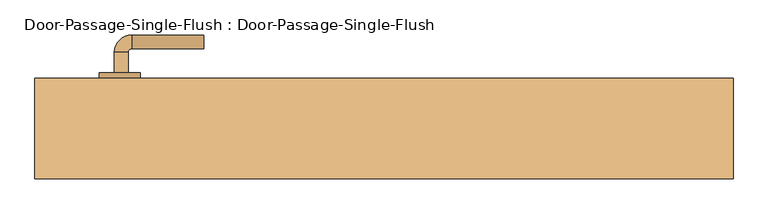
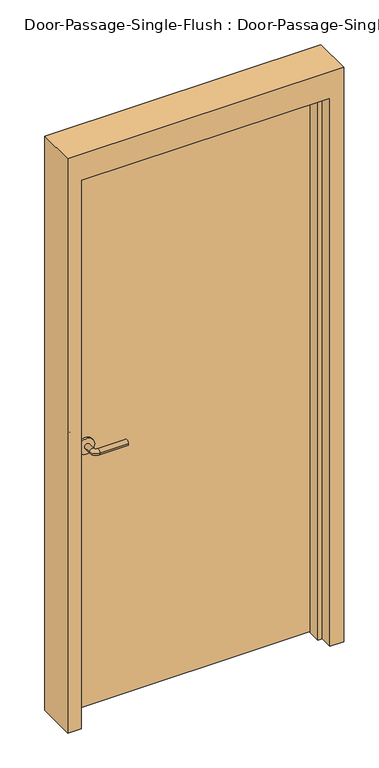
"""IFC4 building model written with IfcOpenShell, lengths in millimetres: door geometry, Door-Passage-Single-Flush : Door-Passage-Single-Flush."""

from ifc_helpers import new_model, si_unit, point, frame, frame_2d, origin, origin_with_axes, place, context, project, spatial, polyline, circle_curve, ellipse_curve, trimmed, segment, composite_curve, outline, extrude, faceted_brep, source, transform, mapped, element, save
from ifc_brep_helpers import plane_surface, cylinder_surface, revolved_surface, advanced_brep


def door_passage_single_flush_door_passage_single_flush_a856c21e(model_context):
    return source(origin(), model_context, "Body", "SolidModel", [
        advanced_brep(
        [(-392.190625, 80.9, 1016.0), (-372.190625, 80.9, 1016.0), (-372.190625, 50.9, 1016.0), (-392.190625, 50.9, 1016.0), (-367.190625, 45.9, 1016.0), (-367.190625, 25.9, 1016.0), (-262.190625, 25.9, 1016.0), (-262.190625, 45.9, 1016.0)],
        [
            (0, 1, circle_curve(frame((-382.190625, 80.9, 1016.0), z_axis=(0.0, 1.0, 0.0), x_axis=(1.0, 0.0, 0.0)), 10.0)),
            (1, 0, circle_curve(frame((-382.190625, 80.9, 1016.0), z_axis=(0.0, 1.0, 0.0), x_axis=(1.0, 0.0, 0.0)), 10.0)),
            (1, 2),
            (2, 3, circle_curve(frame((-382.190625, 50.9, 1016.0), z_axis=(0.0, 1.0, 0.0), x_axis=(1.0, 0.0, 0.0)), 10.0)),
            (3, 0),
            (3, 2, circle_curve(frame((-382.190625, 50.9, 1016.0), z_axis=(0.0, 1.0, 0.0), x_axis=(1.0, 0.0, 0.0)), 10.0)),
            (4, 5, circle_curve(frame((-367.190625, 35.9, 1016.0), z_axis=(-1.0, 0.0, 0.0), x_axis=(0.0, 1.0, 0.0)), 10.0)),
            (5, 3, circle_curve(frame((-367.190625, 50.9, 1016.0), z_axis=(0.0, 0.0, -1.0), x_axis=(-1.0, 0.0, 0.0)), 25.0)),
            (2, 4, circle_curve(frame((-367.190625, 50.9, 1016.0), z_axis=(0.0, 0.0, 1.0), x_axis=(-1.0, 0.0, 0.0)), 5.0)),
            (5, 4, circle_curve(frame((-367.190625, 35.9, 1016.0), z_axis=(-1.0, 0.0, 0.0), x_axis=(0.0, 1.0, 0.0)), 10.0)),
            (6, 7, circle_curve(frame((-262.190625, 35.9, 1016.0), z_axis=(1.0, 0.0, 0.0), x_axis=(0.0, 1.0, 0.0)), 10.0)),
            (7, 6, circle_curve(frame((-262.190625, 35.9, 1016.0), z_axis=(1.0, 0.0, 0.0), x_axis=(0.0, 1.0, 0.0)), 10.0)),
            (4, 7),
            (6, 5),
        ],
        [
            plane_surface(frame((-382.190625, 80.9, 1016.0), z_axis=(0.0, 1.0, 0.0), x_axis=(0.0, 0.0, 1.0))),
            cylinder_surface(frame((-382.190625, 80.9, 1016.0), z_axis=(0.0, 1.0, 0.0), x_axis=(1.0, 0.0, 0.0)), 10.0),
            revolved_surface(trimmed(ellipse_curve(frame((-382.190625, 50.9, 1016.0), z_axis=(0.0, -1.0, 0.0), x_axis=(1.0, 0.0, 0.0)), 10.0, 10.0), [point((-392.190625, 50.9, 1016.0))], [point((-372.190625, 50.9, 1016.0))], True, "CARTESIAN"), (-367.190625, 50.9, 1016.0), (0.0, 0.0, -1.0)),
            revolved_surface(trimmed(ellipse_curve(frame((-382.190625, 50.9, 1016.0), z_axis=(0.0, -1.0, 0.0), x_axis=(1.0, 0.0, 0.0)), 10.0, 10.0), [point((-372.190625, 50.9, 1016.0))], [point((-392.190625, 50.9, 1016.0))], True, "CARTESIAN"), (-367.190625, 50.9, 1016.0), (0.0, 0.0, -1.0)),
            plane_surface(frame((-262.190625, 35.9, 1016.0), z_axis=(1.0, 0.0, 0.0), x_axis=(0.0, 0.0, 1.0))),
            cylinder_surface(frame((-367.190625, 35.9, 1016.0), z_axis=(-1.0, 0.0, 0.0), x_axis=(0.0, 1.0, 0.0)), 10.0),
        ],
        [
            (0, [[1, 2]]),
            (1, [[3, 4, 5, -2]]),
            (1, [[-5, 6, -3, -1]]),
            (2, [[7, 8, -4, 9]]),
            (3, [[10, -9, -6, -8]]),
            (4, [[11, 12]]),
            (5, [[13, -11, 14, -7]]),
            (5, [[-14, -12, -13, -10]]),
        ],
    ),
        extrude(outline(composite_curve([segment(trimmed(circle_curve(frame_2d((1016.0, -384.690625)), 30.0), [point((1016.0, -414.690625))], [point((1016.0, -354.690625))], False, "CARTESIAN"), True, "CONTINUOUS"), segment(trimmed(circle_curve(frame_2d((1016.0, -384.690625)), 30.0), [point((1016.0, -354.690625))], [point((1016.0, -414.690625))], False, "CARTESIAN"), True, "CONTINUOUS")], self_intersect=False)), frame((0.0, 80.9, 0.0), z_axis=(0.0, 1.0, 0.0), x_axis=(0.0, 0.0, 1.0)), (0.0, 0.0, 1.0), 8.0),
        advanced_brep(
        [(-392.190625, 141.35, 1016.0), (-372.190625, 141.35, 1016.0), (-392.190625, 171.35, 1016.0), (-372.190625, 171.35, 1016.0), (-367.190625, 176.35, 1016.0), (-367.190625, 196.35, 1016.0), (-262.190625, 196.35, 1016.0), (-262.190625, 176.35, 1016.0)],
        [
            (0, 1, circle_curve(frame((-382.190625, 141.35, 1016.0), z_axis=(0.0, -1.0, 0.0), x_axis=(1.0, 0.0, 0.0)), 10.0)),
            (1, 0, circle_curve(frame((-382.190625, 141.35, 1016.0), z_axis=(0.0, -1.0, 0.0), x_axis=(1.0, 0.0, 0.0)), 10.0)),
            (0, 2),
            (2, 3, circle_curve(frame((-382.190625, 171.35, 1016.0), z_axis=(0.0, -1.0, 0.0), x_axis=(1.0, 0.0, 0.0)), 10.0)),
            (3, 1),
            (3, 2, circle_curve(frame((-382.190625, 171.35, 1016.0), z_axis=(0.0, -1.0, 0.0), x_axis=(1.0, 0.0, 0.0)), 10.0)),
            (4, 3, circle_curve(frame((-367.190625, 171.35, 1016.0), z_axis=(0.0, 0.0, 1.0), x_axis=(-1.0, 0.0, 0.0)), 5.0)),
            (2, 5, circle_curve(frame((-367.190625, 171.35, 1016.0), z_axis=(0.0, 0.0, -1.0), x_axis=(-1.0, 0.0, 0.0)), 25.0)),
            (5, 4, circle_curve(frame((-367.190625, 186.35, 1016.0), z_axis=(-1.0, 0.0, 0.0), x_axis=(0.0, -1.0, 0.0)), 10.0)),
            (4, 5, circle_curve(frame((-367.190625, 186.35, 1016.0), z_axis=(-1.0, 0.0, 0.0), x_axis=(0.0, -1.0, 0.0)), 10.0)),
            (6, 7, circle_curve(frame((-262.190625, 186.35, 1016.0), z_axis=(1.0, 0.0, 0.0), x_axis=(0.0, -1.0, 0.0)), 10.0)),
            (7, 6, circle_curve(frame((-262.190625, 186.35, 1016.0), z_axis=(1.0, 0.0, 0.0), x_axis=(0.0, -1.0, 0.0)), 10.0)),
            (5, 6),
            (7, 4),
        ],
        [
            plane_surface(frame((-382.190625, 141.35, 1016.0), z_axis=(0.0, -1.0, 0.0), x_axis=(0.0, 0.0, 1.0))),
            cylinder_surface(frame((-382.190625, 141.35, 1016.0), z_axis=(0.0, -1.0, 0.0), x_axis=(1.0, 0.0, 0.0)), 10.0),
            revolved_surface(trimmed(ellipse_curve(frame((-382.190625, 171.35, 1016.0), z_axis=(0.0, -1.0, 0.0), x_axis=(1.0, 0.0, 0.0)), 10.0, 10.0), [point((-392.190625, 171.35, 1016.0))], [point((-372.190625, 171.35, 1016.0))], True, "CARTESIAN"), (-367.190625, 171.35, 1016.0), (0.0, 0.0, -1.0)),
            revolved_surface(trimmed(ellipse_curve(frame((-382.190625, 171.35, 1016.0), z_axis=(0.0, -1.0, 0.0), x_axis=(1.0, 0.0, 0.0)), 10.0, 10.0), [point((-372.190625, 171.35, 1016.0))], [point((-392.190625, 171.35, 1016.0))], True, "CARTESIAN"), (-367.190625, 171.35, 1016.0), (0.0, 0.0, -1.0)),
            plane_surface(frame((-262.190625, 186.35, 1016.0), z_axis=(1.0, 0.0, 0.0), x_axis=(0.0, 0.0, 1.0))),
            cylinder_surface(frame((-367.190625, 186.35, 1016.0), z_axis=(-1.0, 0.0, 0.0), x_axis=(0.0, -1.0, 0.0)), 10.0),
        ],
        [
            (0, [[1, 2]]),
            (1, [[-1, 3, 4, 5]]),
            (1, [[-2, -5, 6, -3]]),
            (2, [[7, -4, 8, 9]]),
            (3, [[-8, -6, -7, 10]]),
            (4, [[11, 12]]),
            (5, [[-9, 13, -12, 14]]),
            (5, [[-10, -14, -11, -13]]),
        ],
    ),
        extrude(outline(composite_curve([segment(trimmed(circle_curve(frame_2d((1016.0, -384.690625)), 30.0), [point((1016.0, -414.690625))], [point((1016.0, -354.690625))], False, "CARTESIAN"), True, "CONTINUOUS"), segment(trimmed(circle_curve(frame_2d((1016.0, -384.690625)), 30.0), [point((1016.0, -354.690625))], [point((1016.0, -414.690625))], False, "CARTESIAN"), True, "CONTINUOUS")], self_intersect=False)), frame((0.0, 133.35, 0.0), z_axis=(0.0, 1.0, 0.0), x_axis=(0.0, 0.0, 1.0)), (0.0, 0.0, 1.0), 8.0),
        faceted_brep([(457.2, 84.1375, 0.0), (457.2, 133.35, 0.0), (508.0, 133.35, 0.0), (508.0, -12.7, 0.0), (457.2, -12.7, 0.0), (457.2, 36.5125, 0.0), (441.325, 36.5125, 0.0), (441.325, 84.1375, 0.0), (457.2, 84.1375, 2133.6), (457.2, 133.35, 2133.6), (-457.2, 133.35, 2133.6), (-457.2, 133.35, 0.0), (-508.0, 133.35, 0.0), (-508.0, 133.35, 2235.2), (508.0, 133.35, 2235.2), (508.0, -12.7, 2235.2), (-508.0, -12.7, 2235.2), (-508.0, -12.7, 0.0), (-457.2, -12.7, 0.0), (-457.2, -12.7, 2133.6), (457.2, -12.7, 2133.6), (457.2, 36.5125, 2133.6), (-457.2, 36.5125, 2133.6), (-457.2, 36.5125, 0.0), (-441.325, 36.5125, 0.0), (-441.325, 36.5125, 2117.725), (441.325, 36.5125, 2117.725), (441.325, 84.1375, 2117.725), (-441.325, 84.1375, 2117.725), (-441.325, 84.1375, 0.0), (-457.2, 84.1375, 0.0), (-457.2, 84.1375, 2133.6)], [[[0, 1, 2, 3, 4, 5, 6, 7]], [[1, 0, 8, 9]], [[2, 1, 9, 10, 11, 12, 13, 14]], [[3, 2, 14, 15]], [[4, 3, 15, 16, 17, 18, 19, 20]], [[5, 4, 20, 21]], [[6, 5, 21, 22, 23, 24, 25, 26]], [[7, 6, 26, 27]], [[0, 7, 27, 28, 29, 30, 31, 8]], [[9, 8, 31, 10]], [[20, 19, 22, 21]], [[26, 25, 28, 27]], [[12, 11, 30, 29, 24, 23, 18, 17]], [[11, 10, 31, 30]], [[13, 12, 17, 16]], [[19, 18, 23, 22]], [[25, 24, 29, 28]], [[15, 14, 13, 16]]]),
        extrude(outline(polyline([(457.2, 88.9), (-457.2, 88.9), (-457.2, 133.35), (457.2, 133.35), (457.2, 88.9)])), origin_with_axes(), (0.0, 0.0, 1.0), 2133.6),
    ])


if __name__ == "__main__":
    model = new_model("IFC4")
    model_context = context("Model", 3, world=origin())
    ifc_project = project(units=[si_unit("LENGTHUNIT", "METRE", prefix="MILLI")], contexts=[model_context])
    site = spatial("IfcSite", under=ifc_project)
    building = spatial("IfcBuilding", under=site)
    placement = place(None, origin())
    door_passage_single_flush_door_passage_single_flush_shape = door_passage_single_flush_door_passage_single_flush_a856c21e(model_context)
    element("IfcDoor", 1, ObjectType="Door-Passage-Single-Flush : Door-Passage-Single-Flush", at=placement, inside=building, context=model_context, shape_type="MappedRepresentation", body=[
        mapped(door_passage_single_flush_door_passage_single_flush_shape, transform((0.0, 0.0, 0.0), x_axis=(1.0, 0.0, 0.0), y_axis=(0.0, 1.0, 0.0), z_axis=(0.0, 0.0, 1.0))),
    ])
    save(model, "model.ifc")
